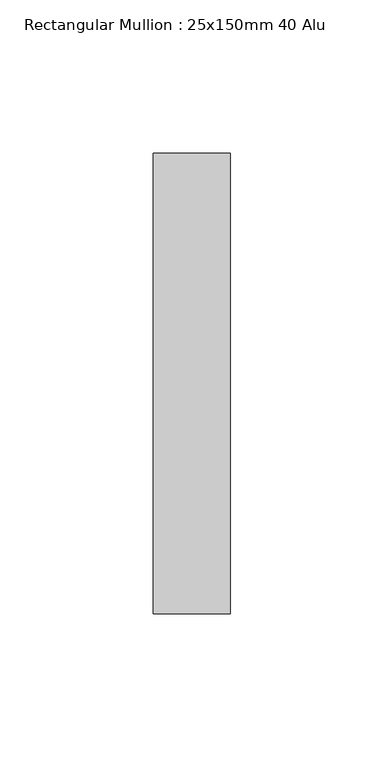
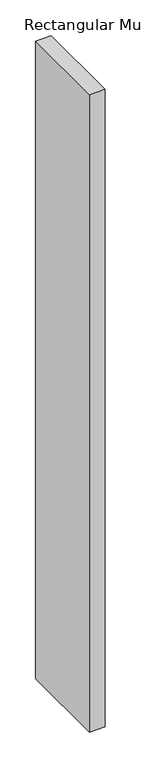
"""IFC4 building model written with IfcOpenShell, lengths in millimetres: member geometry, Rectangular Mullion : 25x150mm 40 Alu."""

from ifc_helpers import new_model, si_unit, frame, origin, place, context, project, spatial, polyline, outline, extrude, source, transform, mapped, element, save


def rectangular_mullion_25x150mm_40_alu_8ac41b7b(model_context):
    return source(origin(), model_context, "Body", "SweptSolid", [
        extrude(outline(polyline([(0.0, 35.0), (0.0, -115.0), (-25.0, -115.0), (-25.0, 35.0), (0.0, 35.0)])), frame((0.0, 0.0, -1083.0749742), z_axis=(0.0, 0.0, 1.0), x_axis=(1.0, 0.0, 0.0)), (0.0, 0.0, 1.0), 1083.0749742),
    ])


if __name__ == "__main__":
    model = new_model("IFC4")
    model_context = context("Model", 3, world=origin())
    ifc_project = project(units=[si_unit("LENGTHUNIT", "METRE", prefix="MILLI")], contexts=[model_context])
    site = spatial("IfcSite", under=ifc_project)
    building = spatial("IfcBuilding", under=site)
    placement = place(None, origin())
    rectangular_mullion_25x150mm_40_alu_shape = rectangular_mullion_25x150mm_40_alu_8ac41b7b(model_context)
    element("IfcMember", 1, ObjectType="Rectangular Mullion : 25x150mm 40 Alu", at=placement, inside=building, context=model_context, shape_type="MappedRepresentation", body=[
        mapped(rectangular_mullion_25x150mm_40_alu_shape, transform((0.0, 0.0, 0.0), x_axis=(1.0, 0.0, 0.0), y_axis=(0.0, 1.0, 0.0), z_axis=(0.0, 0.0, 1.0))),
    ])
    save(model, "model.ifc")
